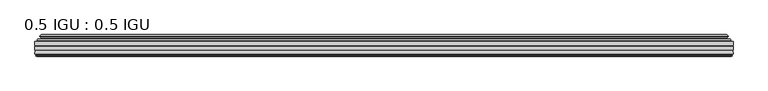
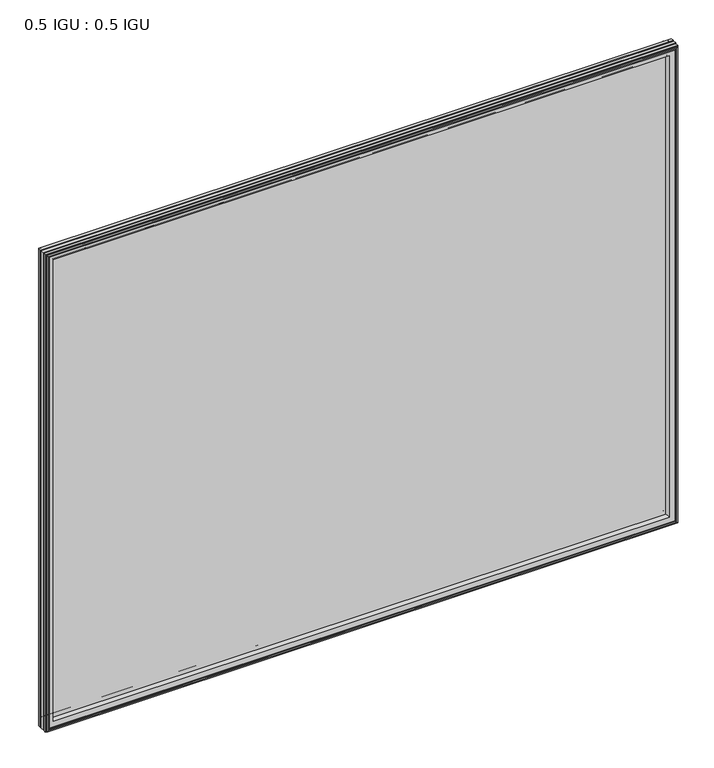
"""IFC4 building model written with IfcOpenShell, lengths in millimetres: plate geometry, 0.5 IGU : 0.5 IGU."""

from ifc_helpers import new_model, si_unit, frame, origin, place, context, project, spatial, polyline, ellipse_curve, outline, extrude, source, transform, mapped, element, save
from ifc_brep_helpers import plane_surface, cylinder_surface, revolved_surface, advanced_brep


def plate_0_5_igu_0_5_igu_92c3b971(model_context):
    return source(origin(), model_context, "Body", "SolidModel", [
        extrude(outline(polyline([(547.70485, -55.82285), (547.70485, -61.48705), (-547.690675, -61.48705), (-547.690675, -55.82285), (547.70485, -55.82285)])), frame((0.0, 0.0, -14.2875), z_axis=(0.0, 0.0, 1.0), x_axis=(1.0, 0.0, 0.0)), (0.0, 0.0, 1.0), 873.1287979),
        extrude(outline(polyline([(-547.690675, -69.05625), (-547.690675, -63.39205), (547.70485, -63.39205), (547.70485, -69.05625), (-547.690675, -69.05625)])), frame((0.0, 0.0, -14.2875), z_axis=(0.0, 0.0, 1.0), x_axis=(1.0, 0.0, 0.0)), (0.0, 0.0, 1.0), 873.1287979),
        advanced_brep(
        [(-543.5881376, -54.3724927, 854.7349626), (-542.5436128, -51.60645, 853.6904378), (-542.5436128, -51.60645, -9.1404378), (-543.5881376, -54.3724927, -10.1849626), (-541.951692, -55.82285, 853.098517), (-541.951692, -55.82285, -8.548517), (-533.403175, -45.63745, 844.55), (-529.8204511, -55.82285, 840.9672761), (-529.8204511, -55.82285, 3.5827239), (-533.403175, -45.63745, 0.0), (-538.5890859, -46.8185491, 849.7359109), (-538.5890859, -46.8185491, -5.1859109), (-537.7920643, -44.8183085, 848.9388893), (-537.7920643, -44.8183085, -4.3888893), (-540.0757861, -47.135817, 851.2226111), (-540.0757861, -47.135817, -6.6726111), (-540.0757861, -47.8489429, 851.2226111), (-540.0757861, -47.8489429, -6.6726111), (-537.7920643, -50.1664515, 848.9388893), (-537.7920643, -50.1664515, -4.3888893), (-538.5814251, -48.1854367, 849.7282501), (-538.5814251, -48.1854367, -5.1782501), (-536.0576129, -48.027045, 847.2044379), (-536.0576129, -48.027045, -2.6544379), (-535.0317967, -48.7147544, 846.1786217), (-535.0317967, -48.7147544, -1.6286217), (-535.1502038, -50.1092231, 846.2970288), (-535.1502038, -50.1092231, -1.7470288), (-535.7519498, -51.60645, 846.8987748), (-535.7519498, -51.60645, -2.3487748), (542.5436128, -51.60645, -9.1404378), (543.5881376, -54.3724927, -10.1849626), (541.951692, -55.82285, -8.548517), (529.8204511, -55.82285, 3.5827239), (533.403175, -45.63745, 0.0), (538.5890859, -46.8185491, -5.1859109), (537.7920643, -44.8183085, -4.3888893), (540.0757861, -47.135817, -6.6726111), (540.0757861, -47.8489429, -6.6726111), (537.7920643, -50.1664515, -4.3888893), (538.5814251, -48.1854367, -5.1782501), (536.0576129, -48.027045, -2.6544379), (535.0317967, -48.7147544, -1.6286217), (535.1502038, -50.1092231, -1.7470288), (535.7519498, -51.60645, -2.3487748), (542.5436128, -51.60645, 853.6904378), (543.5881376, -54.3724927, 854.7349626), (541.951692, -55.82285, 853.098517), (529.8204511, -55.82285, 840.9672761), (533.403175, -45.63745, 844.55), (538.5890859, -46.8185491, 849.7359109), (537.7920643, -44.8183085, 848.9388893), (540.0757861, -47.135817, 851.2226111), (540.0757861, -47.8489429, 851.2226111), (537.7920643, -50.1664515, 848.9388893), (538.5814251, -48.1854367, 849.7282501), (536.0576129, -48.027045, 847.2044379), (535.0317967, -48.7147544, 846.1786217), (535.1502038, -50.1092231, 846.2970288), (535.7519498, -51.60645, 846.8987748)],
        [
            (0, 1, ellipse_curve(frame((-542.5352453, -53.1898501, 853.6820703), z_axis=(-0.7071067811865475, 0.0, -0.7071067811865475), x_axis=(-0.7071067811865474, 0.0, 0.7071067811865476)), 2.2392971, 1.5834222)),
            (1, 2),
            (2, 3, ellipse_curve(frame((-542.5352453, -53.1898501, -9.1320703), z_axis=(-0.7071067811865475, 0.0, 0.7071067811865475), x_axis=(0.7071067811865474, 0.0, 0.7071067811865476)), 2.2392971, 1.5834222)),
            (3, 0),
            (4, 0),
            (3, 5),
            (5, 4),
            (6, 7, ellipse_curve(frame((-501.123421, -40.0058297, 812.270246), z_axis=(0.7071067811865475, 0.0, 0.7071067811865475), x_axis=(0.7071067811865474, 0.0, -0.7071067811865476)), 46.3399971, 32.7673262)),
            (7, 8),
            (8, 9, ellipse_curve(frame((-501.123421, -40.0058297, 32.279754), z_axis=(0.7071067811865475, 0.0, -0.7071067811865475), x_axis=(-0.7071067811865474, 0.0, -0.7071067811865476)), 46.3399971, 32.7673262)),
            (9, 6),
            (10, 6),
            (9, 11),
            (11, 10),
            (12, 10),
            (11, 13),
            (13, 12),
            (14, 12),
            (13, 15),
            (15, 14),
            (16, 14, ellipse_curve(frame((-539.7139479, -47.49238, 850.8607729), z_axis=(-0.7071067811865475, 0.0, -0.7071067811865475), x_axis=(-0.7071067811865474, 0.0, 0.7071067811865476)), 0.7184205, 0.508)),
            (15, 17, ellipse_curve(frame((-539.7139479, -47.49238, -6.3107729), z_axis=(-0.7071067811865475, 0.0, 0.7071067811865475), x_axis=(0.7071067811865474, 0.0, 0.7071067811865476)), 0.7184205, 0.508)),
            (17, 16),
            (18, 16),
            (17, 19),
            (19, 18),
            (20, 18),
            (19, 21),
            (21, 20),
            (22, 20),
            (21, 23),
            (23, 22),
            (24, 22, ellipse_curve(frame((-535.993975, -49.04105, 847.1408), z_axis=(0.7071067811865475, 0.0, 0.7071067811865475), x_axis=(0.7071067811865474, 0.0, -0.7071067811865476)), 1.436841, 1.016)),
            (23, 25, ellipse_curve(frame((-535.993975, -49.04105, -2.5908), z_axis=(0.7071067811865475, 0.0, -0.7071067811865475), x_axis=(-0.7071067811865474, 0.0, -0.7071067811865476)), 1.436841, 1.016)),
            (25, 24),
            (26, 24, ellipse_curve(frame((-537.365575, -49.21885, 848.5124), z_axis=(0.7071067811865475, 0.0, 0.7071067811865475), x_axis=(0.7071067811865474, 0.0, -0.7071067811865476)), 3.3765763, 2.3876)),
            (25, 27, ellipse_curve(frame((-537.365575, -49.21885, -3.9624), z_axis=(0.7071067811865475, 0.0, -0.7071067811865475), x_axis=(-0.7071067811865474, 0.0, -0.7071067811865476)), 3.3765763, 2.3876)),
            (27, 26),
            (28, 26),
            (27, 29),
            (29, 28),
            (2, 30),
            (30, 31, ellipse_curve(frame((542.5352453, -53.1898501, -9.1320703), z_axis=(-0.7071067811865475, 0.0, -0.7071067811865475), x_axis=(-0.7071067811865476, 0.0, 0.7071067811865474)), 2.2392971, 1.5834222)),
            (31, 3),
            (31, 32),
            (32, 5),
            (8, 33),
            (33, 34, ellipse_curve(frame((501.123421, -40.0058297, 32.279754), z_axis=(0.7071067811865475, 0.0, 0.7071067811865475), x_axis=(0.7071067811865476, 0.0, -0.7071067811865474)), 46.3399971, 32.7673262)),
            (34, 9),
            (34, 35),
            (35, 11),
            (35, 36),
            (36, 13),
            (36, 37),
            (37, 15),
            (37, 38, ellipse_curve(frame((539.7139479, -47.49238, -6.3107729), z_axis=(-0.7071067811865475, 0.0, -0.7071067811865475), x_axis=(-0.7071067811865476, 0.0, 0.7071067811865474)), 0.7184205, 0.508)),
            (38, 17),
            (38, 39),
            (39, 19),
            (39, 40),
            (40, 21),
            (40, 41),
            (41, 23),
            (41, 42, ellipse_curve(frame((535.993975, -49.04105, -2.5908), z_axis=(0.7071067811865475, 0.0, 0.7071067811865475), x_axis=(0.7071067811865476, 0.0, -0.7071067811865474)), 1.436841, 1.016)),
            (42, 25),
            (42, 43, ellipse_curve(frame((537.365575, -49.21885, -3.9624), z_axis=(0.7071067811865475, 0.0, 0.7071067811865475), x_axis=(0.7071067811865476, 0.0, -0.7071067811865474)), 3.3765763, 2.3876)),
            (43, 27),
            (43, 44),
            (44, 29),
            (30, 45),
            (45, 46, ellipse_curve(frame((542.5352453, -53.1898501, 853.6820703), z_axis=(0.7071067811865475, 0.0, -0.7071067811865475), x_axis=(-0.7071067811865474, 0.0, -0.7071067811865476)), 2.2392971, 1.5834222)),
            (46, 31),
            (46, 47),
            (47, 32),
            (33, 48),
            (48, 49, ellipse_curve(frame((501.123421, -40.0058297, 812.270246), z_axis=(-0.7071067811865475, 0.0, 0.7071067811865475), x_axis=(0.7071067811865474, 0.0, 0.7071067811865476)), 46.3399971, 32.7673262)),
            (49, 34),
            (49, 50),
            (50, 35),
            (50, 51),
            (51, 36),
            (51, 52),
            (52, 37),
            (52, 53, ellipse_curve(frame((539.7139479, -47.49238, 850.8607729), z_axis=(0.7071067811865475, 0.0, -0.7071067811865475), x_axis=(-0.7071067811865474, 0.0, -0.7071067811865476)), 0.7184205, 0.508)),
            (53, 38),
            (53, 54),
            (54, 39),
            (54, 55),
            (55, 40),
            (55, 56),
            (56, 41),
            (56, 57, ellipse_curve(frame((535.993975, -49.04105, 847.1408), z_axis=(-0.7071067811865475, 0.0, 0.7071067811865475), x_axis=(0.7071067811865474, 0.0, 0.7071067811865476)), 1.436841, 1.016)),
            (57, 42),
            (57, 58, ellipse_curve(frame((537.365575, -49.21885, 848.5124), z_axis=(-0.7071067811865475, 0.0, 0.7071067811865475), x_axis=(0.7071067811865474, 0.0, 0.7071067811865476)), 3.3765763, 2.3876)),
            (58, 43),
            (58, 59),
            (59, 44),
            (45, 1),
            (0, 46),
            (4, 47),
            (7, 48),
            (6, 49),
            (10, 50),
            (12, 51),
            (14, 52),
            (16, 53),
            (18, 54),
            (20, 55),
            (22, 56),
            (24, 57),
            (26, 58),
            (28, 59),
        ],
        [
            cylinder_surface(frame((-542.5352453, -53.1898501, 876.3), z_axis=(0.0, 0.0, 1.0), x_axis=(-1.0, 0.0, 0.0)), 1.5834222),
            plane_surface(frame((-543.5881376, -54.3724927, 854.7349626), z_axis=(-0.6632745773184306, -0.7483761320907135, 0.0), x_axis=(0.0, 0.0, -1.0))),
            revolved_surface(polyline([(-533.8907472, -40.0058297, -0.48757218957496207), (-533.8907472, -40.0058297, 845.037572189575)]), (-501.123421, -40.0058297, 876.3), (0.0, 0.0, -1.0)),
            plane_surface(frame((-533.403175, -45.63745, 844.55), z_axis=(-0.22206498442787428, 0.975031867525902, 0.0), x_axis=(0.0, 0.0, -1.0))),
            plane_surface(frame((-538.5890859, -46.8185491, 849.7359109), z_axis=(0.9289682685630282, -0.370159365683228, 0.0), x_axis=(0.0, 0.0, -1.0))),
            plane_surface(frame((-537.7920643, -44.8183085, 848.9388893), z_axis=(-0.7122798501733507, 0.7018955869907071, 0.0), x_axis=(0.0, 0.0, -1.0))),
            cylinder_surface(frame((-539.7139479, -47.49238, 876.3), z_axis=(0.0, 0.0, 1.0), x_axis=(-1.0, 0.0, 0.0)), 0.508),
            plane_surface(frame((-540.0757861, -47.8489429, 851.2226111), z_axis=(-0.7122798501732925, -0.701895586990766, 0.0), x_axis=(0.0, 0.0, -1.0))),
            plane_surface(frame((-537.7920643, -50.1664515, 848.9388893), z_axis=(0.9289682685628707, 0.3701593656836228, 0.0), x_axis=(0.0, 0.0, -1.0))),
            plane_surface(frame((-538.5814251, -48.1854367, 849.7282501), z_axis=(0.06263570119284978, -0.9980364567169279, 0.0), x_axis=(0.0, 0.0, -1.0))),
            revolved_surface(polyline([(-537.0099749999999, -49.04105, -3.606800014586838), (-537.0099749999999, -49.04105, 848.1568000145869)]), (-535.993975, -49.04105, 876.3), (0.0, 0.0, -1.0)),
            revolved_surface(polyline([(-539.753175, -49.21885, -6.3499999989237494), (-539.753175, -49.21885, 850.8999999989237)]), (-537.365575, -49.21885, 876.3), (0.0, 0.0, -1.0)),
            plane_surface(frame((-535.1502038, -50.1092231, 846.2970288), z_axis=(-0.9278652925428184, 0.3729155385532094, 0.0), x_axis=(0.0, 0.0, -1.0))),
            cylinder_surface(frame((-565.153175, -53.1898501, -9.1320703), z_axis=(-1.0, 0.0, 0.0), x_axis=(0.0, 0.0, -1.0)), 1.5834222),
            plane_surface(frame((-543.5881376, -54.3724927, -10.1849626), z_axis=(0.0, -0.7483761320907157, -0.6632745773184283), x_axis=(1.0, 0.0, 0.0))),
            revolved_surface(polyline([(533.8907471895751, -40.0058297, -0.48757220000000245), (-533.890747189575, -40.0058297, -0.48757220000000245)]), (-565.153175, -40.0058297, 32.279754), (1.0, 0.0, 0.0)),
            plane_surface(frame((-533.403175, -45.63745, 0.0), z_axis=(0.0, 0.9750318675259013, -0.22206498442787745), x_axis=(1.0, 0.0, 0.0))),
            plane_surface(frame((-538.5890859, -46.8185491, -5.1859109), z_axis=(0.0, -0.370159365683225, 0.9289682685630294), x_axis=(1.0, 0.0, 0.0))),
            plane_surface(frame((-537.7920643, -44.8183085, -4.3888893), z_axis=(0.0, 0.7018955869907048, -0.7122798501733529), x_axis=(1.0, 0.0, 0.0))),
            cylinder_surface(frame((-565.153175, -47.49238, -6.3107729), z_axis=(-1.0, 0.0, 0.0), x_axis=(0.0, 0.0, -1.0)), 0.508),
            plane_surface(frame((-540.0757861, -47.8489429, -6.6726111), z_axis=(0.0, -0.7018955869907684, -0.7122798501732903), x_axis=(1.0, 0.0, 0.0))),
            plane_surface(frame((-537.7920643, -50.1664515, -4.3888893), z_axis=(0.0, 0.37015936568362584, 0.9289682685628696), x_axis=(1.0, 0.0, 0.0))),
            plane_surface(frame((-538.5814251, -48.1854367, -5.1782501), z_axis=(0.0, -0.9980364567169276, 0.06263570119285301), x_axis=(1.0, 0.0, 0.0))),
            revolved_surface(polyline([(537.0099750145868, -49.04105, -3.6068000000000002), (-537.0099750145869, -49.04105, -3.6068000000000002)]), (-565.153175, -49.04105, -2.5908), (1.0, 0.0, 0.0)),
            revolved_surface(polyline([(539.753174998924, -49.21885, -6.35), (-539.7531749989238, -49.21885, -6.35)]), (-565.153175, -49.21885, -3.9624), (1.0, 0.0, 0.0)),
            plane_surface(frame((-535.1502038, -50.1092231, -1.7470288), z_axis=(0.0, 0.3729155385532064, -0.9278652925428196), x_axis=(1.0, 0.0, 0.0))),
            cylinder_surface(frame((542.5352453, -53.1898501, -31.75), z_axis=(0.0, 0.0, -1.0), x_axis=(1.0, 0.0, 0.0)), 1.5834222),
            plane_surface(frame((543.5881376, -54.3724927, -10.1849626), z_axis=(0.6632745773184259, -0.7483761320907178, 0.0), x_axis=(0.0, 0.0, 1.0))),
            revolved_surface(polyline([(533.8907472, -40.0058297, 845.037572189575), (533.8907472, -40.0058297, -0.48757218957494075)]), (501.123421, -40.0058297, -31.75), (0.0, 0.0, 1.0)),
            plane_surface(frame((533.403175, -45.63745, 0.0), z_axis=(0.22206498442788059, 0.9750318675259005, 0.0), x_axis=(0.0, 0.0, 1.0))),
            plane_surface(frame((538.5890859, -46.8185491, -5.1859109), z_axis=(-0.9289682685630306, -0.370159365683222, 0.0), x_axis=(0.0, 0.0, 1.0))),
            plane_surface(frame((537.7920643, -44.8183085, -4.3888893), z_axis=(0.7122798501733552, 0.7018955869907024, 0.0), x_axis=(0.0, 0.0, 1.0))),
            cylinder_surface(frame((539.7139479, -47.49238, -31.75), z_axis=(0.0, 0.0, -1.0), x_axis=(1.0, 0.0, 0.0)), 0.508),
            plane_surface(frame((540.0757861, -47.8489429, -6.6726111), z_axis=(0.712279850173288, -0.7018955869907706, 0.0), x_axis=(0.0, 0.0, 1.0))),
            plane_surface(frame((537.7920643, -50.1664515, -4.3888893), z_axis=(-0.9289682685628684, 0.37015936568362884, 0.0), x_axis=(0.0, 0.0, 1.0))),
            plane_surface(frame((538.5814251, -48.1854367, -5.1782501), z_axis=(-0.06263570119285625, -0.9980364567169274, 0.0), x_axis=(0.0, 0.0, 1.0))),
            revolved_surface(polyline([(537.0099749999999, -49.04105, 848.1568000145869), (537.0099749999999, -49.04105, -3.606800014586863)]), (535.993975, -49.04105, -31.75), (0.0, 0.0, 1.0)),
            revolved_surface(polyline([(539.753175, -49.21885, 850.8999999989237), (539.753175, -49.21885, -6.349999998923781)]), (537.365575, -49.21885, -31.75), (0.0, 0.0, 1.0)),
            plane_surface(frame((535.1502038, -50.1092231, -1.7470288), z_axis=(0.9278652925428208, 0.3729155385532034, 0.0), x_axis=(0.0, 0.0, 1.0))),
            cylinder_surface(frame((565.153175, -53.1898501, 853.6820703), z_axis=(1.0, 0.0, 0.0), x_axis=(0.0, 0.0, 1.0)), 1.5834222),
            plane_surface(frame((543.5881376, -54.3724927, 854.7349626), z_axis=(0.0, -0.7483761320907157, 0.6632745773184283), x_axis=(-1.0, 0.0, 0.0))),
            plane_surface(frame((541.951692, -55.82285, 853.098517), z_axis=(0.0, -1.0, 0.0), x_axis=(-1.0, 0.0, 0.0))),
            revolved_surface(polyline([(-533.8907471895751, -40.0058297, 845.0375722), (533.890747189575, -40.0058297, 845.0375722)]), (565.153175, -40.0058297, 812.270246), (-1.0, 0.0, 0.0)),
            plane_surface(frame((533.403175, -45.63745, 844.55), z_axis=(0.0, 0.9750318675259012, 0.22206498442787742), x_axis=(-1.0, 0.0, 0.0))),
            plane_surface(frame((538.5890859, -46.8185491, 849.7359109), z_axis=(0.0, -0.370159365683225, -0.9289682685630294), x_axis=(-1.0, 0.0, 0.0))),
            plane_surface(frame((537.7920643, -44.8183085, 848.9388893), z_axis=(0.0, 0.7018955869907048, 0.7122798501733529), x_axis=(-1.0, 0.0, 0.0))),
            cylinder_surface(frame((565.153175, -47.49238, 850.8607729), z_axis=(1.0, 0.0, 0.0), x_axis=(0.0, 0.0, 1.0)), 0.508),
            plane_surface(frame((540.0757861, -47.8489429, 851.2226111), z_axis=(0.0, -0.7018955869907684, 0.7122798501732903), x_axis=(-1.0, 0.0, 0.0))),
            plane_surface(frame((537.7920643, -50.1664515, 848.9388893), z_axis=(0.0, 0.37015936568362584, -0.9289682685628696), x_axis=(-1.0, 0.0, 0.0))),
            plane_surface(frame((538.5814251, -48.1854367, 849.7282501), z_axis=(0.0, -0.9980364567169276, -0.06263570119285301), x_axis=(-1.0, 0.0, 0.0))),
            revolved_surface(polyline([(-537.0099750145868, -49.04105, 848.1568), (537.0099750145869, -49.04105, 848.1568)]), (565.153175, -49.04105, 847.1408), (-1.0, 0.0, 0.0)),
            revolved_surface(polyline([(-539.753174998924, -49.21885, 850.9), (539.7531749989238, -49.21885, 850.9)]), (565.153175, -49.21885, 848.5124), (-1.0, 0.0, 0.0)),
            plane_surface(frame((535.1502038, -50.1092231, 846.2970288), z_axis=(0.0, 0.3729155385532064, 0.9278652925428196), x_axis=(-1.0, 0.0, 0.0))),
            plane_surface(frame((535.7519498, -51.60645, 846.8987748), z_axis=(0.0, 1.0, 0.0), x_axis=(-1.0, 0.0, 0.0))),
        ],
        [
            (0, [[1, 2, 3, 4]]),
            (1, [[5, -4, 6, 7]]),
            (2, [[8, 9, 10, 11]]),
            (3, [[12, -11, 13, 14]]),
            (4, [[15, -14, 16, 17]]),
            (5, [[18, -17, 19, 20]]),
            (6, [[21, -20, 22, 23]]),
            (7, [[24, -23, 25, 26]]),
            (8, [[27, -26, 28, 29]]),
            (9, [[30, -29, 31, 32]]),
            (10, [[33, -32, 34, 35]]),
            (11, [[36, -35, 37, 38]]),
            (12, [[39, -38, 40, 41]]),
            (13, [[-3, 42, 43, 44]]),
            (14, [[-6, -44, 45, 46]]),
            (15, [[-10, 47, 48, 49]]),
            (16, [[-13, -49, 50, 51]]),
            (17, [[-16, -51, 52, 53]]),
            (18, [[-19, -53, 54, 55]]),
            (19, [[-22, -55, 56, 57]]),
            (20, [[-25, -57, 58, 59]]),
            (21, [[-28, -59, 60, 61]]),
            (22, [[-31, -61, 62, 63]]),
            (23, [[-34, -63, 64, 65]]),
            (24, [[-37, -65, 66, 67]]),
            (25, [[-40, -67, 68, 69]]),
            (26, [[-43, 70, 71, 72]]),
            (27, [[-45, -72, 73, 74]]),
            (28, [[-48, 75, 76, 77]]),
            (29, [[-50, -77, 78, 79]]),
            (30, [[-52, -79, 80, 81]]),
            (31, [[-54, -81, 82, 83]]),
            (32, [[-56, -83, 84, 85]]),
            (33, [[-58, -85, 86, 87]]),
            (34, [[-60, -87, 88, 89]]),
            (35, [[-62, -89, 90, 91]]),
            (36, [[-64, -91, 92, 93]]),
            (37, [[-66, -93, 94, 95]]),
            (38, [[-68, -95, 96, 97]]),
            (39, [[-71, 98, -1, 99]]),
            (40, [[-73, -99, -5, 100]]),
            (41, [[-46, -74, -100, -7], [101, -75, -47, -9]]),
            (42, [[-76, -101, -8, 102]]),
            (43, [[-78, -102, -12, 103]]),
            (44, [[-80, -103, -15, 104]]),
            (45, [[-82, -104, -18, 105]]),
            (46, [[-84, -105, -21, 106]]),
            (47, [[-86, -106, -24, 107]]),
            (48, [[-88, -107, -27, 108]]),
            (49, [[-90, -108, -30, 109]]),
            (50, [[-92, -109, -33, 110]]),
            (51, [[-94, -110, -36, 111]]),
            (52, [[-96, -111, -39, 112]]),
            (53, [[-98, -70, -42, -2], [-69, -97, -112, -41]]),
        ],
    ),
        advanced_brep(
        [(-547.703375, -75.40625, 858.8502), (-547.0085912, -69.7476901, 858.1554162), (-547.0085912, -69.7476901, -13.6054162), (-547.703375, -75.40625, -14.3002), (-545.315775, -77.3973143, 856.4626), (-545.772975, -75.40625, 856.9198), (-545.772975, -75.40625, -12.3698), (-545.315775, -77.3973143, -11.9126), (-546.3171369, -77.1290001, 857.4639619), (-546.3171369, -77.1290001, -12.9139619), (-546.560375, -78.0367772, 857.7072), (-546.560375, -78.0367772, -13.1572), (-544.528375, -78.58125, 855.6752), (-544.528375, -78.58125, -11.1252), (-542.496375, -78.0367772, 853.6432), (-542.496375, -78.0367772, -9.0932), (-542.7396131, -77.1290001, 853.8864381), (-542.7396131, -77.1290001, -9.3364381), (-543.740975, -77.3973143, 854.8878), (-543.740975, -77.3973143, -10.3378), (-543.283775, -75.40625, 854.4306), (-543.283775, -75.40625, -9.8806), (-529.8137119, -69.05625, 840.9605369), (-533.403175, -75.40625, 844.55), (-533.403175, -75.40625, 0.0), (-529.8137119, -69.05625, 3.5894631), (-546.2270604, -69.05625, 857.3738854), (-546.2270604, -69.05625, -12.8238854), (547.0085912, -69.7476901, -13.6054162), (547.703375, -75.40625, -14.3002), (545.772975, -75.40625, -12.3698), (545.315775, -77.3973143, -11.9126), (546.3171369, -77.1290001, -12.9139619), (546.560375, -78.0367772, -13.1572), (544.528375, -78.58125, -11.1252), (542.496375, -78.0367772, -9.0932), (542.7396131, -77.1290001, -9.3364381), (543.740975, -77.3973143, -10.3378), (543.283775, -75.40625, -9.8806), (533.403175, -75.40625, 0.0), (529.8137119, -69.05625, 3.5894631), (546.2270604, -69.05625, -12.8238854), (547.0085912, -69.7476901, 858.1554162), (547.703375, -75.40625, 858.8502), (545.772975, -75.40625, 856.9198), (545.315775, -77.3973143, 856.4626), (546.3171369, -77.1290001, 857.4639619), (546.560375, -78.0367772, 857.7072), (544.528375, -78.58125, 855.6752), (542.496375, -78.0367772, 853.6432), (542.7396131, -77.1290001, 853.8864381), (543.740975, -77.3973143, 854.8878), (543.283775, -75.40625, 854.4306), (533.403175, -75.40625, 844.55), (529.8137119, -69.05625, 840.9605369), (546.2270604, -69.05625, 857.3738854)],
        [
            (0, 1),
            (1, 2),
            (2, 3),
            (3, 0),
            (4, 5),
            (5, 6),
            (6, 7),
            (7, 4),
            (8, 4),
            (7, 9),
            (9, 8),
            (10, 8),
            (9, 11),
            (11, 10),
            (12, 10),
            (11, 13),
            (13, 12),
            (14, 12),
            (13, 15),
            (15, 14),
            (16, 14),
            (15, 17),
            (17, 16),
            (18, 16),
            (17, 19),
            (19, 18),
            (20, 18),
            (19, 21),
            (21, 20),
            (22, 23, ellipse_curve(frame((-524.9268864, -76.0081323, 836.0737114), z_axis=(0.7071067811865475, 0.0, 0.7071067811865475), x_axis=(0.7071067811865474, 0.0, -0.7071067811865476)), 12.0174649, 8.4976309)),
            (23, 24),
            (24, 25, ellipse_curve(frame((-524.9268864, -76.0081323, 8.4762886), z_axis=(0.7071067811865475, 0.0, -0.7071067811865475), x_axis=(-0.7071067811865474, 0.0, -0.7071067811865476)), 12.0174649, 8.4976309)),
            (25, 22),
            (1, 26, ellipse_curve(frame((-546.2270604, -69.84365, 857.3738854), z_axis=(-0.7071067811865475, 0.0, -0.7071067811865475), x_axis=(-0.7071067811865474, 0.0, 0.7071067811865476)), 1.1135518, 0.7874)),
            (26, 27),
            (27, 2, ellipse_curve(frame((-546.2270604, -69.84365, -12.8238854), z_axis=(-0.7071067811865475, 0.0, 0.7071067811865475), x_axis=(0.7071067811865474, 0.0, 0.7071067811865476)), 1.1135518, 0.7874)),
            (2, 28),
            (28, 29),
            (29, 3),
            (6, 30),
            (30, 31),
            (31, 7),
            (31, 32),
            (32, 9),
            (32, 33),
            (33, 11),
            (33, 34),
            (34, 13),
            (34, 35),
            (35, 15),
            (35, 36),
            (36, 17),
            (36, 37),
            (37, 19),
            (37, 38),
            (38, 21),
            (24, 39),
            (39, 40, ellipse_curve(frame((524.9268864, -76.0081323, 8.4762886), z_axis=(0.7071067811865475, 0.0, 0.7071067811865475), x_axis=(0.7071067811865476, 0.0, -0.7071067811865474)), 12.0174649, 8.4976309)),
            (40, 25),
            (27, 41),
            (41, 28, ellipse_curve(frame((546.2270604, -69.84365, -12.8238854), z_axis=(-0.7071067811865475, 0.0, -0.7071067811865475), x_axis=(-0.7071067811865476, 0.0, 0.7071067811865474)), 1.1135518, 0.7874)),
            (28, 42),
            (42, 43),
            (43, 29),
            (30, 44),
            (44, 45),
            (45, 31),
            (45, 46),
            (46, 32),
            (46, 47),
            (47, 33),
            (47, 48),
            (48, 34),
            (48, 49),
            (49, 35),
            (49, 50),
            (50, 36),
            (50, 51),
            (51, 37),
            (51, 52),
            (52, 38),
            (39, 53),
            (53, 54, ellipse_curve(frame((524.9268864, -76.0081323, 836.0737114), z_axis=(-0.7071067811865475, 0.0, 0.7071067811865475), x_axis=(0.7071067811865474, 0.0, 0.7071067811865476)), 12.0174649, 8.4976309)),
            (54, 40),
            (41, 55),
            (55, 42, ellipse_curve(frame((546.2270604, -69.84365, 857.3738854), z_axis=(0.7071067811865475, 0.0, -0.7071067811865475), x_axis=(-0.7071067811865474, 0.0, -0.7071067811865476)), 1.1135518, 0.7874)),
            (42, 1),
            (0, 43),
            (5, 44),
            (4, 45),
            (8, 46),
            (10, 47),
            (12, 48),
            (14, 49),
            (16, 50),
            (18, 51),
            (20, 52),
            (23, 53),
            (22, 54),
            (26, 55),
        ],
        [
            plane_surface(frame((-547.0085912, -69.7476901, 858.1554162), z_axis=(-0.992546151641325, 0.12186934340512405, 0.0), x_axis=(0.0, 0.0, -1.0))),
            plane_surface(frame((-545.772975, -75.40625, 856.9198), z_axis=(-0.9746347637895902, -0.22380142361658395, 0.0), x_axis=(0.0, 0.0, -1.0))),
            plane_surface(frame((-545.315775, -77.3973143, 856.4626), z_axis=(0.2588190451026526, 0.965925826289033, 0.0), x_axis=(0.0, 0.0, -1.0))),
            plane_surface(frame((-546.3171369, -77.1290001, 857.4639619), z_axis=(-0.9659258262890449, 0.2588190451026083, 0.0), x_axis=(0.0, 0.0, -1.0))),
            plane_surface(frame((-546.560375, -78.0367772, 857.7072), z_axis=(-0.2588190451024403, -0.96592582628909, 0.0), x_axis=(0.0, 0.0, -1.0))),
            plane_surface(frame((-544.528375, -78.58125, 855.6752), z_axis=(0.2588190451025434, -0.9659258262890623, 0.0), x_axis=(0.0, 0.0, -1.0))),
            plane_surface(frame((-542.496375, -78.0367772, 853.6432), z_axis=(0.9659258262891713, 0.25881904510213655, 0.0), x_axis=(0.0, 0.0, -1.0))),
            plane_surface(frame((-542.7396131, -77.1290001, 853.8864381), z_axis=(-0.25881904510234177, 0.9659258262891163, 0.0), x_axis=(0.0, 0.0, -1.0))),
            plane_surface(frame((-543.740975, -77.3973143, 854.8878), z_axis=(0.9746347637895849, -0.22380142361660746, 0.0), x_axis=(0.0, 0.0, -1.0))),
            revolved_surface(polyline([(-533.4245172999999, -76.0081323, -0.02134232346134013), (-533.4245172999999, -76.0081323, 844.5713423234613)]), (-524.9268864, -76.0081323, 876.3), (0.0, 0.0, -1.0)),
            cylinder_surface(frame((-546.2270604, -69.84365, 876.3), z_axis=(0.0, 0.0, 1.0), x_axis=(-1.0, 0.0, 0.0)), 0.7874),
            plane_surface(frame((-547.0085912, -69.7476901, -13.6054162), z_axis=(0.0, 0.12186934340512084, -0.9925461516413254), x_axis=(1.0, 0.0, 0.0))),
            plane_surface(frame((-545.772975, -75.40625, -12.3698), z_axis=(0.0, -0.22380142361658714, -0.9746347637895896), x_axis=(1.0, 0.0, 0.0))),
            plane_surface(frame((-545.315775, -77.3973143, -11.9126), z_axis=(0.0, 0.9659258262890339, 0.25881904510264947), x_axis=(1.0, 0.0, 0.0))),
            plane_surface(frame((-546.3171369, -77.1290001, -12.9139619), z_axis=(0.0, 0.25881904510260517, -0.9659258262890458), x_axis=(1.0, 0.0, 0.0))),
            plane_surface(frame((-546.560375, -78.0367772, -13.1572), z_axis=(0.0, -0.9659258262890907, -0.25881904510243714), x_axis=(1.0, 0.0, 0.0))),
            plane_surface(frame((-544.528375, -78.58125, -11.1252), z_axis=(0.0, -0.9659258262890614, 0.2588190451025465), x_axis=(1.0, 0.0, 0.0))),
            plane_surface(frame((-542.496375, -78.0367772, -9.0932), z_axis=(0.0, 0.25881904510213966, 0.9659258262891705), x_axis=(1.0, 0.0, 0.0))),
            plane_surface(frame((-542.7396131, -77.1290001, -9.3364381), z_axis=(0.0, 0.9659258262891154, -0.2588190451023449), x_axis=(1.0, 0.0, 0.0))),
            plane_surface(frame((-543.740975, -77.3973143, -10.3378), z_axis=(0.0, -0.2238014236166043, 0.9746347637895857), x_axis=(1.0, 0.0, 0.0))),
            revolved_surface(polyline([(533.4245173234611, -76.0081323, -0.02134230000000059), (-533.4245173234613, -76.0081323, -0.02134230000000059)]), (-565.153175, -76.0081323, 8.4762886), (1.0, 0.0, 0.0)),
            cylinder_surface(frame((-565.153175, -69.84365, -12.8238854), z_axis=(-1.0, 0.0, 0.0), x_axis=(0.0, 0.0, -1.0)), 0.7874),
            plane_surface(frame((547.0085912, -69.7476901, -13.6054162), z_axis=(0.9925461516413259, 0.12186934340511764, 0.0), x_axis=(0.0, 0.0, 1.0))),
            plane_surface(frame((545.772975, -75.40625, -12.3698), z_axis=(0.9746347637895888, -0.2238014236165903, 0.0), x_axis=(0.0, 0.0, 1.0))),
            plane_surface(frame((545.315775, -77.3973143, -11.9126), z_axis=(-0.25881904510264636, 0.9659258262890348, 0.0), x_axis=(0.0, 0.0, 1.0))),
            plane_surface(frame((546.3171369, -77.1290001, -12.9139619), z_axis=(0.9659258262890467, 0.25881904510260206, 0.0), x_axis=(0.0, 0.0, 1.0))),
            plane_surface(frame((546.560375, -78.0367772, -13.1572), z_axis=(0.25881904510243403, -0.9659258262890916, 0.0), x_axis=(0.0, 0.0, 1.0))),
            plane_surface(frame((544.528375, -78.58125, -11.1252), z_axis=(-0.25881904510254966, -0.9659258262890607, 0.0), x_axis=(0.0, 0.0, 1.0))),
            plane_surface(frame((542.496375, -78.0367772, -9.0932), z_axis=(-0.9659258262891696, 0.25881904510214276, 0.0), x_axis=(0.0, 0.0, 1.0))),
            plane_surface(frame((542.7396131, -77.1290001, -9.3364381), z_axis=(0.25881904510234804, 0.9659258262891146, 0.0), x_axis=(0.0, 0.0, 1.0))),
            plane_surface(frame((543.740975, -77.3973143, -10.3378), z_axis=(-0.9746347637895865, -0.22380142361660113, 0.0), x_axis=(0.0, 0.0, 1.0))),
            revolved_surface(polyline([(533.4245172999999, -76.0081323, 844.5713423234613), (533.4245172999999, -76.0081323, -0.021342323461311707)]), (524.9268864, -76.0081323, -31.75), (0.0, 0.0, 1.0)),
            cylinder_surface(frame((546.2270604, -69.84365, -31.75), z_axis=(0.0, 0.0, -1.0), x_axis=(1.0, 0.0, 0.0)), 0.7874),
            plane_surface(frame((547.0085912, -69.7476901, 858.1554162), z_axis=(0.0, 0.12186934340512084, 0.9925461516413254), x_axis=(-1.0, 0.0, 0.0))),
            plane_surface(frame((547.703375, -75.40625, 858.8502), z_axis=(0.0, -1.0, 0.0), x_axis=(-1.0, 0.0, 0.0))),
            plane_surface(frame((545.772975, -75.40625, 856.9198), z_axis=(0.0, -0.22380142361658714, 0.9746347637895896), x_axis=(-1.0, 0.0, 0.0))),
            plane_surface(frame((545.315775, -77.3973143, 856.4626), z_axis=(0.0, 0.9659258262890339, -0.25881904510264947), x_axis=(-1.0, 0.0, 0.0))),
            plane_surface(frame((546.3171369, -77.1290001, 857.4639619), z_axis=(0.0, 0.25881904510260517, 0.9659258262890458), x_axis=(-1.0, 0.0, 0.0))),
            plane_surface(frame((546.560375, -78.0367772, 857.7072), z_axis=(0.0, -0.9659258262890907, 0.25881904510243714), x_axis=(-1.0, 0.0, 0.0))),
            plane_surface(frame((544.528375, -78.58125, 855.6752), z_axis=(0.0, -0.9659258262890614, -0.25881904510254655), x_axis=(-1.0, 0.0, 0.0))),
            plane_surface(frame((542.496375, -78.0367772, 853.6432), z_axis=(0.0, 0.25881904510213966, -0.9659258262891705), x_axis=(-1.0, 0.0, 0.0))),
            plane_surface(frame((542.7396131, -77.1290001, 853.8864381), z_axis=(0.0, 0.9659258262891155, 0.25881904510234494), x_axis=(-1.0, 0.0, 0.0))),
            plane_surface(frame((543.740975, -77.3973143, 854.8878), z_axis=(0.0, -0.2238014236166043, -0.9746347637895857), x_axis=(-1.0, 0.0, 0.0))),
            plane_surface(frame((543.283775, -75.40625, 854.4306), z_axis=(0.0, -1.0, 0.0), x_axis=(-1.0, 0.0, 0.0))),
            revolved_surface(polyline([(-533.4245173234611, -76.0081323, 844.5713423), (533.4245173234613, -76.0081323, 844.5713423)]), (565.153175, -76.0081323, 836.0737114), (-1.0, 0.0, 0.0)),
            plane_surface(frame((529.8137119, -69.05625, 840.9605369), z_axis=(0.0, 1.0, 0.0), x_axis=(-1.0, 0.0, 0.0))),
            cylinder_surface(frame((565.153175, -69.84365, 857.3738854), z_axis=(1.0, 0.0, 0.0), x_axis=(0.0, 0.0, 1.0)), 0.7874),
        ],
        [
            (0, [[1, 2, 3, 4]]),
            (1, [[5, 6, 7, 8]]),
            (2, [[9, -8, 10, 11]]),
            (3, [[12, -11, 13, 14]]),
            (4, [[15, -14, 16, 17]]),
            (5, [[18, -17, 19, 20]]),
            (6, [[21, -20, 22, 23]]),
            (7, [[24, -23, 25, 26]]),
            (8, [[27, -26, 28, 29]]),
            (9, [[30, 31, 32, 33]]),
            (10, [[34, 35, 36, -2]]),
            (11, [[-3, 37, 38, 39]]),
            (12, [[-7, 40, 41, 42]]),
            (13, [[-10, -42, 43, 44]]),
            (14, [[-13, -44, 45, 46]]),
            (15, [[-16, -46, 47, 48]]),
            (16, [[-19, -48, 49, 50]]),
            (17, [[-22, -50, 51, 52]]),
            (18, [[-25, -52, 53, 54]]),
            (19, [[-28, -54, 55, 56]]),
            (20, [[-32, 57, 58, 59]]),
            (21, [[-36, 60, 61, -37]]),
            (22, [[-38, 62, 63, 64]]),
            (23, [[-41, 65, 66, 67]]),
            (24, [[-43, -67, 68, 69]]),
            (25, [[-45, -69, 70, 71]]),
            (26, [[-47, -71, 72, 73]]),
            (27, [[-49, -73, 74, 75]]),
            (28, [[-51, -75, 76, 77]]),
            (29, [[-53, -77, 78, 79]]),
            (30, [[-55, -79, 80, 81]]),
            (31, [[-58, 82, 83, 84]]),
            (32, [[-61, 85, 86, -62]]),
            (33, [[-63, 87, -1, 88]]),
            (34, [[-39, -64, -88, -4], [89, -65, -40, -6]]),
            (35, [[-66, -89, -5, 90]]),
            (36, [[-68, -90, -9, 91]]),
            (37, [[-70, -91, -12, 92]]),
            (38, [[-72, -92, -15, 93]]),
            (39, [[-74, -93, -18, 94]]),
            (40, [[-76, -94, -21, 95]]),
            (41, [[-78, -95, -24, 96]]),
            (42, [[-80, -96, -27, 97]]),
            (43, [[-56, -81, -97, -29], [98, -82, -57, -31]]),
            (44, [[-83, -98, -30, 99]]),
            (45, [[100, -85, -60, -35], [-59, -84, -99, -33]]),
            (46, [[-86, -100, -34, -87]]),
        ],
    ),
    ])


if __name__ == "__main__":
    model = new_model("IFC4")
    model_context = context("Model", 3, world=origin())
    ifc_project = project(units=[si_unit("LENGTHUNIT", "METRE", prefix="MILLI")], contexts=[model_context])
    site = spatial("IfcSite", under=ifc_project)
    building = spatial("IfcBuilding", under=site)
    placement = place(None, origin())
    plate_0_5_igu_0_5_igu_shape = plate_0_5_igu_0_5_igu_92c3b971(model_context)
    element("IfcPlate", 1, ObjectType="0.5 IGU : 0.5 IGU", at=placement, inside=building, context=model_context, shape_type="MappedRepresentation", body=[
        mapped(plate_0_5_igu_0_5_igu_shape, transform((0.0, 0.0, 0.0), x_axis=(1.0, 0.0, 0.0), y_axis=(0.0, 1.0, 0.0), z_axis=(0.0, 0.0, 1.0))),
    ])
    save(model, "model.ifc")
